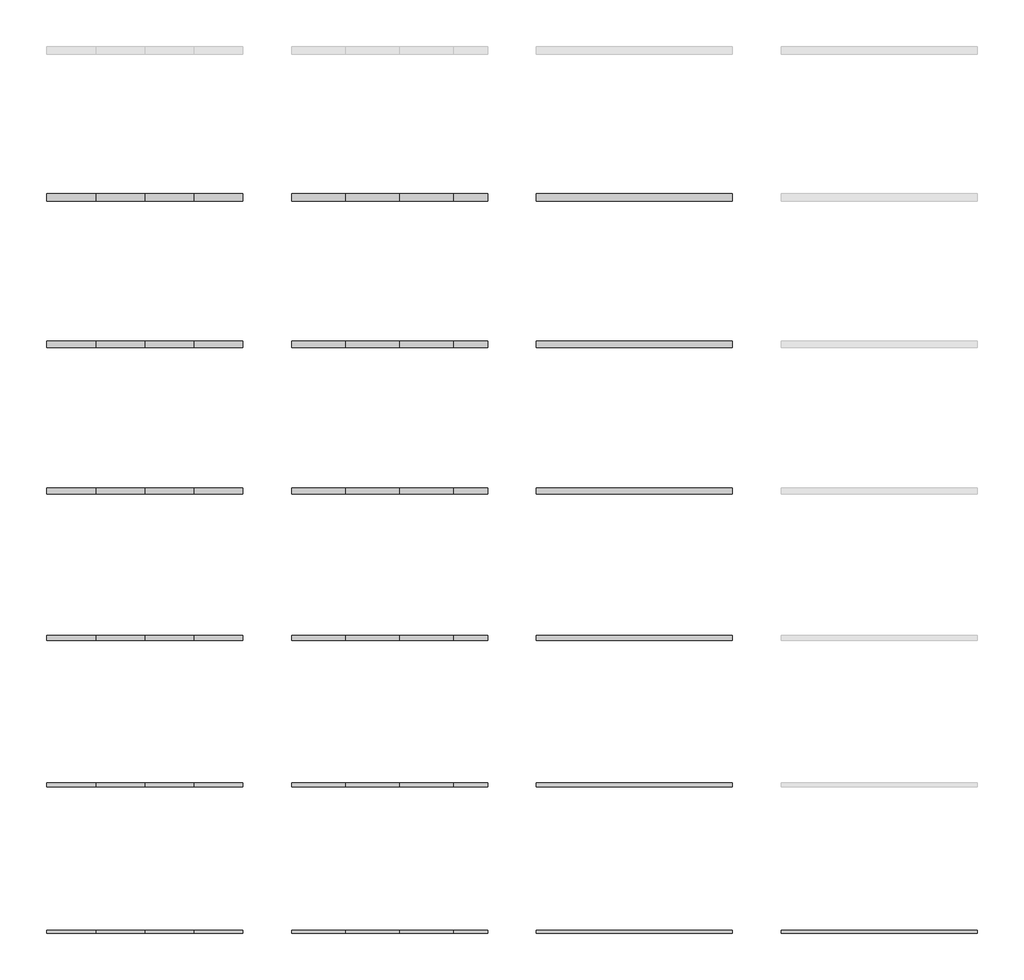
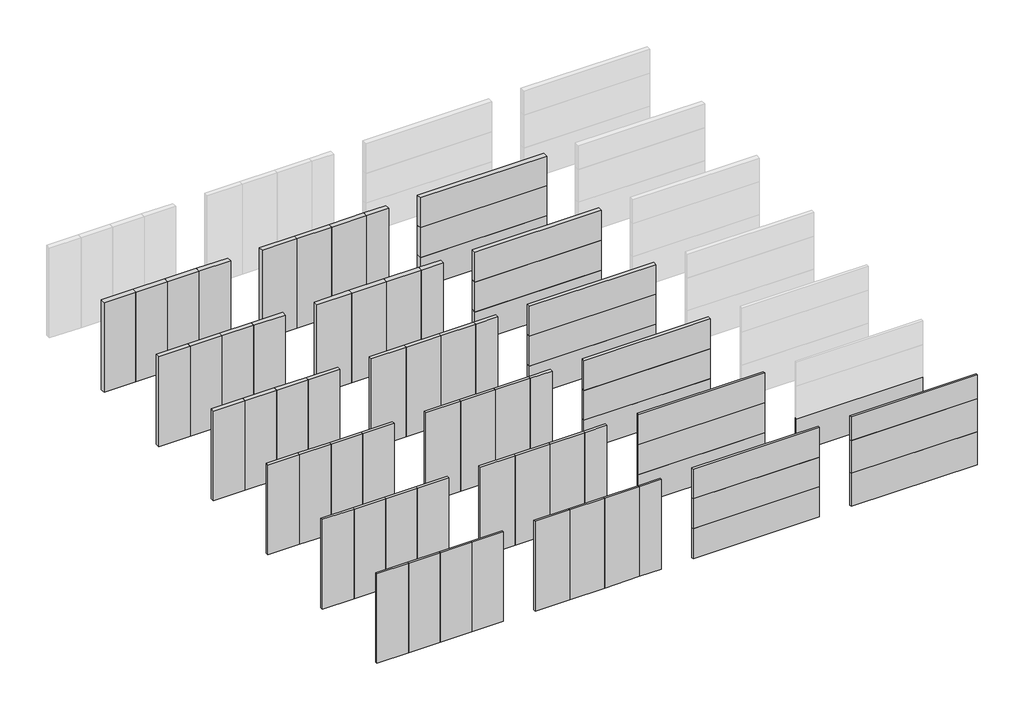
# Not in any storey, part 1 of 2: 70 plates.
"""IFC4 building model written with IfcOpenShell, lengths in millimetres."""

from ifc_helpers import new_model, si_unit, frame, origin, origin_with_axes, place, context, project, spatial, polyline, outline, extrude, element, save

model = new_model("IFC4")

# Units and contexts
model_context = context("Model", 3, world=origin())
ifc_project = project(units=[si_unit("LENGTHUNIT", "METRE", prefix="MILLI")], contexts=[model_context])

# Site, building
site = spatial("IfcSite", under=ifc_project)
building = spatial("IfcBuilding", under=site)

# Plates
placement = place(None, origin())
element("IfcPlate", 1, at=placement, inside=building, context=model_context, shape_type="SweptSolid", body=[
    extrude(outline(polyline([(1000.0000003, 6000.0), (0.0, 6000.0), (0.0, 6100.0), (1000.0000003, 6100.0), (1000.0000003, 6000.0)])), origin_with_axes(), (0.0, 0.0, 1.0), 3000.0),
])
element("IfcPlate", 2, at=placement, inside=building, context=model_context, shape_type="SweptSolid", body=[
    extrude(outline(polyline([(2000.0000003, 6000.0), (1000.0000003, 6000.0), (1000.0000003, 6100.0), (2000.0000003, 6100.0), (2000.0000003, 6000.0)])), origin_with_axes(), (0.0, 0.0, 1.0), 3000.0),
])
element("IfcPlate", 3, at=placement, inside=building, context=model_context, shape_type="SweptSolid", body=[
    extrude(outline(polyline([(3000.0000003, 6000.0), (2000.0000003, 6000.0), (2000.0000003, 6100.0), (3000.0000003, 6100.0), (3000.0000003, 6000.0)])), origin_with_axes(), (0.0, 0.0, 1.0), 3000.0),
])
element("IfcPlate", 4, at=placement, inside=building, context=model_context, shape_type="SweptSolid", body=[
    extrude(outline(polyline([(4000.0, 6000.0), (3000.0000003, 6000.0), (3000.0000003, 6100.0), (4000.0, 6100.0), (4000.0, 6000.0)])), origin_with_axes(), (0.0, 0.0, 1.0), 3000.0),
])
element("IfcPlate", 5, at=placement, inside=building, context=model_context, shape_type="SweptSolid", body=[
    extrude(outline(polyline([(14000.0, 6000.0), (10000.0, 6000.0), (10000.0, 6100.0), (14000.0, 6100.0), (14000.0, 6000.0)])), origin_with_axes(), (0.0, 0.0, 1.0), 1000.0),
])
element("IfcPlate", 6, at=placement, inside=building, context=model_context, shape_type="SweptSolid", body=[
    extrude(outline(polyline([(14000.0, 6000.0), (10000.0, 6000.0), (10000.0, 6100.0), (14000.0, 6100.0), (14000.0, 6000.0)])), frame((0.0, 0.0, 1000.0), z_axis=(0.0, 0.0, 1.0), x_axis=(1.0, 0.0, 0.0)), (0.0, 0.0, 1.0), 1000.0),
])
element("IfcPlate", 7, at=placement, inside=building, context=model_context, shape_type="SweptSolid", body=[
    extrude(outline(polyline([(14000.0, 6000.0), (10000.0, 6000.0), (10000.0, 6100.0), (14000.0, 6100.0), (14000.0, 6000.0)])), frame((0.0, 0.0, 2000.0), z_axis=(0.0, 0.0, 1.0), x_axis=(1.0, 0.0, 0.0)), (0.0, 0.0, 1.0), 1000.0),
])
element("IfcPlate", 8, at=placement, inside=building, context=model_context, shape_type="SweptSolid", body=[
    extrude(outline(polyline([(6100.0000003, 6000.0), (5000.0, 6000.0), (5000.0, 6100.0), (6100.0000003, 6100.0), (6100.0000003, 6000.0)])), origin_with_axes(), (0.0, 0.0, 1.0), 3000.0),
])
element("IfcPlate", 9, at=placement, inside=building, context=model_context, shape_type="SweptSolid", body=[
    extrude(outline(polyline([(7200.0000003, 6000.0), (6100.0000003, 6000.0), (6100.0000003, 6100.0), (7200.0000003, 6100.0), (7200.0000003, 6000.0)])), origin_with_axes(), (0.0, 0.0, 1.0), 3000.0),
])
element("IfcPlate", 10, at=placement, inside=building, context=model_context, shape_type="SweptSolid", body=[
    extrude(outline(polyline([(8300.0000003, 6000.0), (7200.0000003, 6000.0), (7200.0000003, 6100.0), (8300.0000003, 6100.0), (8300.0000003, 6000.0)])), origin_with_axes(), (0.0, 0.0, 1.0), 3000.0),
])
element("IfcPlate", 11, at=placement, inside=building, context=model_context, shape_type="SweptSolid", body=[
    extrude(outline(polyline([(9000.0, 6000.0), (8300.0000003, 6000.0), (8300.0000003, 6100.0), (9000.0, 6100.0), (9000.0, 6000.0)])), origin_with_axes(), (0.0, 0.0, 1.0), 3000.0),
])
element("IfcPlate", 12, at=placement, inside=building, context=model_context, shape_type="SweptSolid", body=[
    extrude(outline(polyline([(1000.0000003, 3010.0), (0.0, 3010.0), (0.0, 3090.0), (1000.0000003, 3090.0), (1000.0000003, 3010.0)])), origin_with_axes(), (0.0, 0.0, 1.0), 3000.0),
])
element("IfcPlate", 13, at=placement, inside=building, context=model_context, shape_type="SweptSolid", body=[
    extrude(outline(polyline([(2000.0000003, 3010.0), (1000.0000003, 3010.0), (1000.0000003, 3090.0), (2000.0000003, 3090.0), (2000.0000003, 3010.0)])), origin_with_axes(), (0.0, 0.0, 1.0), 3000.0),
])
element("IfcPlate", 14, at=placement, inside=building, context=model_context, shape_type="SweptSolid", body=[
    extrude(outline(polyline([(3000.0000003, 3010.0), (2000.0000003, 3010.0), (2000.0000003, 3090.0), (3000.0000003, 3090.0), (3000.0000003, 3010.0)])), origin_with_axes(), (0.0, 0.0, 1.0), 3000.0),
])
element("IfcPlate", 15, at=placement, inside=building, context=model_context, shape_type="SweptSolid", body=[
    extrude(outline(polyline([(4000.0, 3010.0), (3000.0000003, 3010.0), (3000.0000003, 3090.0), (4000.0, 3090.0), (4000.0, 3010.0)])), origin_with_axes(), (0.0, 0.0, 1.0), 3000.0),
])
element("IfcPlate", 16, at=placement, inside=building, context=model_context, shape_type="SweptSolid", body=[
    extrude(outline(polyline([(6100.0000003, 3010.0), (5000.0, 3010.0), (5000.0, 3090.0), (6100.0000003, 3090.0), (6100.0000003, 3010.0)])), origin_with_axes(), (0.0, 0.0, 1.0), 3000.0),
])
element("IfcPlate", 17, at=placement, inside=building, context=model_context, shape_type="SweptSolid", body=[
    extrude(outline(polyline([(7200.0000003, 3010.0), (6100.0000003, 3010.0), (6100.0000003, 3090.0), (7200.0000003, 3090.0), (7200.0000003, 3010.0)])), origin_with_axes(), (0.0, 0.0, 1.0), 3000.0),
])
element("IfcPlate", 18, at=placement, inside=building, context=model_context, shape_type="SweptSolid", body=[
    extrude(outline(polyline([(8300.0000003, 3010.0), (7200.0000003, 3010.0), (7200.0000003, 3090.0), (8300.0000003, 3090.0), (8300.0000003, 3010.0)])), origin_with_axes(), (0.0, 0.0, 1.0), 3000.0),
])
element("IfcPlate", 19, at=placement, inside=building, context=model_context, shape_type="SweptSolid", body=[
    extrude(outline(polyline([(9000.0, 3010.0), (8300.0000003, 3010.0), (8300.0000003, 3090.0), (9000.0, 3090.0), (9000.0, 3010.0)])), origin_with_axes(), (0.0, 0.0, 1.0), 3000.0),
])
element("IfcPlate", 20, at=placement, inside=building, context=model_context, shape_type="SweptSolid", body=[
    extrude(outline(polyline([(14000.0, 3010.0), (10000.0, 3010.0), (10000.0, 3090.0), (14000.0, 3090.0), (14000.0, 3010.0)])), origin_with_axes(), (0.0, 0.0, 1.0), 1000.0),
])
element("IfcPlate", 21, at=placement, inside=building, context=model_context, shape_type="SweptSolid", body=[
    extrude(outline(polyline([(14000.0, 3010.0), (10000.0, 3010.0), (10000.0, 3090.0), (14000.0, 3090.0), (14000.0, 3010.0)])), frame((0.0, 0.0, 1000.0), z_axis=(0.0, 0.0, 1.0), x_axis=(1.0, 0.0, 0.0)), (0.0, 0.0, 1.0), 1000.0),
])
element("IfcPlate", 22, at=placement, inside=building, context=model_context, shape_type="SweptSolid", body=[
    extrude(outline(polyline([(14000.0, 3010.0), (10000.0, 3010.0), (10000.0, 3090.0), (14000.0, 3090.0), (14000.0, 3010.0)])), frame((0.0, 0.0, 2000.0), z_axis=(0.0, 0.0, 1.0), x_axis=(1.0, 0.0, 0.0)), (0.0, 0.0, 1.0), 1000.0),
])
element("IfcPlate", 23, at=placement, inside=building, context=model_context, shape_type="SweptSolid", body=[
    extrude(outline(polyline([(19000.0, 3010.0), (15000.0, 3010.0), (15000.0, 3090.0), (19000.0, 3090.0), (19000.0, 3010.0)])), origin_with_axes(), (0.0, 0.0, 1.0), 1100.0),
])
element("IfcPlate", 24, at=placement, inside=building, context=model_context, shape_type="SweptSolid", body=[
    extrude(outline(polyline([(1000.0000003, 20.0), (0.0, 20.0), (0.0, 80.0), (1000.0000003, 80.0), (1000.0000003, 20.0)])), origin_with_axes(), (0.0, 0.0, 1.0), 3000.0),
])
element("IfcPlate", 25, at=placement, inside=building, context=model_context, shape_type="SweptSolid", body=[
    extrude(outline(polyline([(2000.0000003, 20.0), (1000.0000003, 20.0), (1000.0000003, 80.0), (2000.0000003, 80.0), (2000.0000003, 20.0)])), origin_with_axes(), (0.0, 0.0, 1.0), 3000.0),
])
element("IfcPlate", 26, at=placement, inside=building, context=model_context, shape_type="SweptSolid", body=[
    extrude(outline(polyline([(3000.0000003, 20.0), (2000.0000003, 20.0), (2000.0000003, 80.0), (3000.0000003, 80.0), (3000.0000003, 20.0)])), origin_with_axes(), (0.0, 0.0, 1.0), 3000.0),
])
element("IfcPlate", 27, at=placement, inside=building, context=model_context, shape_type="SweptSolid", body=[
    extrude(outline(polyline([(4000.0, 20.0), (3000.0000003, 20.0), (3000.0000003, 80.0), (4000.0, 80.0), (4000.0, 20.0)])), origin_with_axes(), (0.0, 0.0, 1.0), 3000.0),
])
element("IfcPlate", 28, at=placement, inside=building, context=model_context, shape_type="SweptSolid", body=[
    extrude(outline(polyline([(6100.0000003, 20.0), (5000.0, 20.0), (5000.0, 80.0), (6100.0000003, 80.0), (6100.0000003, 20.0)])), origin_with_axes(), (0.0, 0.0, 1.0), 3000.0),
])
element("IfcPlate", 29, at=placement, inside=building, context=model_context, shape_type="SweptSolid", body=[
    extrude(outline(polyline([(7200.0000003, 20.0), (6100.0000003, 20.0), (6100.0000003, 80.0), (7200.0000003, 80.0), (7200.0000003, 20.0)])), origin_with_axes(), (0.0, 0.0, 1.0), 3000.0),
])
element("IfcPlate", 30, at=placement, inside=building, context=model_context, shape_type="SweptSolid", body=[
    extrude(outline(polyline([(8300.0000003, 20.0), (7200.0000003, 20.0), (7200.0000003, 80.0), (8300.0000003, 80.0), (8300.0000003, 20.0)])), origin_with_axes(), (0.0, 0.0, 1.0), 3000.0),
])
element("IfcPlate", 31, at=placement, inside=building, context=model_context, shape_type="SweptSolid", body=[
    extrude(outline(polyline([(9000.0, 20.0), (8300.0000003, 20.0), (8300.0000003, 80.0), (9000.0, 80.0), (9000.0, 20.0)])), origin_with_axes(), (0.0, 0.0, 1.0), 3000.0),
])
element("IfcPlate", 32, at=placement, inside=building, context=model_context, shape_type="SweptSolid", body=[
    extrude(outline(polyline([(14000.0, 20.0), (10000.0, 20.0), (10000.0, 80.0), (14000.0, 80.0), (14000.0, 20.0)])), origin_with_axes(), (0.0, 0.0, 1.0), 1000.0),
])
element("IfcPlate", 33, at=placement, inside=building, context=model_context, shape_type="SweptSolid", body=[
    extrude(outline(polyline([(14000.0, 20.0), (10000.0, 20.0), (10000.0, 80.0), (14000.0, 80.0), (14000.0, 20.0)])), frame((0.0, 0.0, 1000.0), z_axis=(0.0, 0.0, 1.0), x_axis=(1.0, 0.0, 0.0)), (0.0, 0.0, 1.0), 1000.0),
])
element("IfcPlate", 34, at=placement, inside=building, context=model_context, shape_type="SweptSolid", body=[
    extrude(outline(polyline([(14000.0, 20.0), (10000.0, 20.0), (10000.0, 80.0), (14000.0, 80.0), (14000.0, 20.0)])), frame((0.0, 0.0, 2000.0), z_axis=(0.0, 0.0, 1.0), x_axis=(1.0, 0.0, 0.0)), (0.0, 0.0, 1.0), 1000.0),
])
element("IfcPlate", 35, at=placement, inside=building, context=model_context, shape_type="SweptSolid", body=[
    extrude(outline(polyline([(19000.0, 20.0), (15000.0, 20.0), (15000.0, 80.0), (19000.0, 80.0), (19000.0, 20.0)])), origin_with_axes(), (0.0, 0.0, 1.0), 1100.0),
])
element("IfcPlate", 36, at=placement, inside=building, context=model_context, shape_type="SweptSolid", body=[
    extrude(outline(polyline([(19000.0, 20.0), (15000.0, 20.0), (15000.0, 80.0), (19000.0, 80.0), (19000.0, 20.0)])), frame((0.0, 0.0, 1100.0), z_axis=(0.0, 0.0, 1.0), x_axis=(1.0, 0.0, 0.0)), (0.0, 0.0, 1.0), 1100.0),
])
element("IfcPlate", 37, at=placement, inside=building, context=model_context, shape_type="SweptSolid", body=[
    extrude(outline(polyline([(19000.0, 20.0), (15000.0, 20.0), (15000.0, 80.0), (19000.0, 80.0), (19000.0, 20.0)])), frame((0.0, 0.0, 2200.0), z_axis=(0.0, 0.0, 1.0), x_axis=(1.0, 0.0, 0.0)), (0.0, 0.0, 1.0), 800.0),
])
element("IfcPlate", 38, at=placement, inside=building, context=model_context, shape_type="SweptSolid", body=[
    extrude(outline(polyline([(1000.0000003, 8990.0), (0.0, 8990.0), (0.0, 9110.0), (1000.0000003, 9110.0), (1000.0000003, 8990.0)])), origin_with_axes(), (0.0, 0.0, 1.0), 3000.0),
])
element("IfcPlate", 39, at=placement, inside=building, context=model_context, shape_type="SweptSolid", body=[
    extrude(outline(polyline([(2000.0000003, 8990.0), (1000.0000003, 8990.0), (1000.0000003, 9110.0), (2000.0000003, 9110.0), (2000.0000003, 8990.0)])), origin_with_axes(), (0.0, 0.0, 1.0), 3000.0),
])
element("IfcPlate", 40, at=placement, inside=building, context=model_context, shape_type="SweptSolid", body=[
    extrude(outline(polyline([(3000.0000003, 8990.0), (2000.0000003, 8990.0), (2000.0000003, 9110.0), (3000.0000003, 9110.0), (3000.0000003, 8990.0)])), origin_with_axes(), (0.0, 0.0, 1.0), 3000.0),
])
element("IfcPlate", 41, at=placement, inside=building, context=model_context, shape_type="SweptSolid", body=[
    extrude(outline(polyline([(4000.0, 8990.0), (3000.0000003, 8990.0), (3000.0000003, 9110.0), (4000.0, 9110.0), (4000.0, 8990.0)])), origin_with_axes(), (0.0, 0.0, 1.0), 3000.0),
])
element("IfcPlate", 42, at=placement, inside=building, context=model_context, shape_type="SweptSolid", body=[
    extrude(outline(polyline([(6100.0000003, 8990.0), (5000.0, 8990.0), (5000.0, 9110.0), (6100.0000003, 9110.0), (6100.0000003, 8990.0)])), origin_with_axes(), (0.0, 0.0, 1.0), 3000.0),
])
element("IfcPlate", 43, at=placement, inside=building, context=model_context, shape_type="SweptSolid", body=[
    extrude(outline(polyline([(7200.0000003, 8990.0), (6100.0000003, 8990.0), (6100.0000003, 9110.0), (7200.0000003, 9110.0), (7200.0000003, 8990.0)])), origin_with_axes(), (0.0, 0.0, 1.0), 3000.0),
])
element("IfcPlate", 44, at=placement, inside=building, context=model_context, shape_type="SweptSolid", body=[
    extrude(outline(polyline([(8300.0000003, 8990.0), (7200.0000003, 8990.0), (7200.0000003, 9110.0), (8300.0000003, 9110.0), (8300.0000003, 8990.0)])), origin_with_axes(), (0.0, 0.0, 1.0), 3000.0),
])
element("IfcPlate", 45, at=placement, inside=building, context=model_context, shape_type="SweptSolid", body=[
    extrude(outline(polyline([(9000.0, 8990.0), (8300.0000003, 8990.0), (8300.0000003, 9110.0), (9000.0, 9110.0), (9000.0, 8990.0)])), origin_with_axes(), (0.0, 0.0, 1.0), 3000.0),
])
element("IfcPlate", 46, at=placement, inside=building, context=model_context, shape_type="SweptSolid", body=[
    extrude(outline(polyline([(14000.0, 8990.0), (10000.0, 8990.0), (10000.0, 9110.0), (14000.0, 9110.0), (14000.0, 8990.0)])), origin_with_axes(), (0.0, 0.0, 1.0), 1000.0),
])
element("IfcPlate", 47, at=placement, inside=building, context=model_context, shape_type="SweptSolid", body=[
    extrude(outline(polyline([(14000.0, 8990.0), (10000.0, 8990.0), (10000.0, 9110.0), (14000.0, 9110.0), (14000.0, 8990.0)])), frame((0.0, 0.0, 1000.0), z_axis=(0.0, 0.0, 1.0), x_axis=(1.0, 0.0, 0.0)), (0.0, 0.0, 1.0), 1000.0),
])
element("IfcPlate", 48, at=placement, inside=building, context=model_context, shape_type="SweptSolid", body=[
    extrude(outline(polyline([(14000.0, 8990.0), (10000.0, 8990.0), (10000.0, 9110.0), (14000.0, 9110.0), (14000.0, 8990.0)])), frame((0.0, 0.0, 2000.0), z_axis=(0.0, 0.0, 1.0), x_axis=(1.0, 0.0, 0.0)), (0.0, 0.0, 1.0), 1000.0),
])
element("IfcPlate", 49, at=placement, inside=building, context=model_context, shape_type="SweptSolid", body=[
    extrude(outline(polyline([(1000.0000003, 11980.0), (0.0, 11980.0), (0.0, 12120.0), (1000.0000003, 12120.0), (1000.0000003, 11980.0)])), origin_with_axes(), (0.0, 0.0, 1.0), 3000.0),
])
element("IfcPlate", 50, at=placement, inside=building, context=model_context, shape_type="SweptSolid", body=[
    extrude(outline(polyline([(2000.0000003, 11980.0), (1000.0000003, 11980.0), (1000.0000003, 12120.0), (2000.0000003, 12120.0), (2000.0000003, 11980.0)])), origin_with_axes(), (0.0, 0.0, 1.0), 3000.0),
])
element("IfcPlate", 51, at=placement, inside=building, context=model_context, shape_type="SweptSolid", body=[
    extrude(outline(polyline([(3000.0000003, 11980.0), (2000.0000003, 11980.0), (2000.0000003, 12120.0), (3000.0000003, 12120.0), (3000.0000003, 11980.0)])), origin_with_axes(), (0.0, 0.0, 1.0), 3000.0),
])
element("IfcPlate", 52, at=placement, inside=building, context=model_context, shape_type="SweptSolid", body=[
    extrude(outline(polyline([(4000.0, 11980.0), (3000.0000003, 11980.0), (3000.0000003, 12120.0), (4000.0, 12120.0), (4000.0, 11980.0)])), origin_with_axes(), (0.0, 0.0, 1.0), 3000.0),
])
element("IfcPlate", 53, at=placement, inside=building, context=model_context, shape_type="SweptSolid", body=[
    extrude(outline(polyline([(6100.0000003, 11980.0), (5000.0, 11980.0), (5000.0, 12120.0), (6100.0000003, 12120.0), (6100.0000003, 11980.0)])), origin_with_axes(), (0.0, 0.0, 1.0), 3000.0),
])
element("IfcPlate", 54, at=placement, inside=building, context=model_context, shape_type="SweptSolid", body=[
    extrude(outline(polyline([(7200.0000003, 11980.0), (6100.0000003, 11980.0), (6100.0000003, 12120.0), (7200.0000003, 12120.0), (7200.0000003, 11980.0)])), origin_with_axes(), (0.0, 0.0, 1.0), 3000.0),
])
element("IfcPlate", 55, at=placement, inside=building, context=model_context, shape_type="SweptSolid", body=[
    extrude(outline(polyline([(8300.0000003, 11980.0), (7200.0000003, 11980.0), (7200.0000003, 12120.0), (8300.0000003, 12120.0), (8300.0000003, 11980.0)])), origin_with_axes(), (0.0, 0.0, 1.0), 3000.0),
])
element("IfcPlate", 56, at=placement, inside=building, context=model_context, shape_type="SweptSolid", body=[
    extrude(outline(polyline([(9000.0, 11980.0), (8300.0000003, 11980.0), (8300.0000003, 12120.0), (9000.0, 12120.0), (9000.0, 11980.0)])), origin_with_axes(), (0.0, 0.0, 1.0), 3000.0),
])
element("IfcPlate", 57, at=placement, inside=building, context=model_context, shape_type="SweptSolid", body=[
    extrude(outline(polyline([(14000.0, 11980.0), (10000.0, 11980.0), (10000.0, 12120.0), (14000.0, 12120.0), (14000.0, 11980.0)])), origin_with_axes(), (0.0, 0.0, 1.0), 1000.0),
])
element("IfcPlate", 58, at=placement, inside=building, context=model_context, shape_type="SweptSolid", body=[
    extrude(outline(polyline([(14000.0, 11980.0), (10000.0, 11980.0), (10000.0, 12120.0), (14000.0, 12120.0), (14000.0, 11980.0)])), frame((0.0, 0.0, 1000.0), z_axis=(0.0, 0.0, 1.0), x_axis=(1.0, 0.0, 0.0)), (0.0, 0.0, 1.0), 1000.0),
])
element("IfcPlate", 59, at=placement, inside=building, context=model_context, shape_type="SweptSolid", body=[
    extrude(outline(polyline([(14000.0, 11980.0), (10000.0, 11980.0), (10000.0, 12120.0), (14000.0, 12120.0), (14000.0, 11980.0)])), frame((0.0, 0.0, 2000.0), z_axis=(0.0, 0.0, 1.0), x_axis=(1.0, 0.0, 0.0)), (0.0, 0.0, 1.0), 1000.0),
])
element("IfcPlate", 60, at=placement, inside=building, context=model_context, shape_type="SweptSolid", body=[
    extrude(outline(polyline([(1000.0000003, 14975.0), (0.0, 14975.0), (0.0, 15125.0), (1000.0000003, 15125.0), (1000.0000003, 14975.0)])), origin_with_axes(), (0.0, 0.0, 1.0), 3000.0),
])
element("IfcPlate", 61, at=placement, inside=building, context=model_context, shape_type="SweptSolid", body=[
    extrude(outline(polyline([(2000.0000003, 14975.0), (1000.0000003, 14975.0), (1000.0000003, 15125.0), (2000.0000003, 15125.0), (2000.0000003, 14975.0)])), origin_with_axes(), (0.0, 0.0, 1.0), 3000.0),
])
element("IfcPlate", 62, at=placement, inside=building, context=model_context, shape_type="SweptSolid", body=[
    extrude(outline(polyline([(3000.0000003, 14975.0), (2000.0000003, 14975.0), (2000.0000003, 15125.0), (3000.0000003, 15125.0), (3000.0000003, 14975.0)])), origin_with_axes(), (0.0, 0.0, 1.0), 3000.0),
])
element("IfcPlate", 63, at=placement, inside=building, context=model_context, shape_type="SweptSolid", body=[
    extrude(outline(polyline([(4000.0, 14975.0), (3000.0000003, 14975.0), (3000.0000003, 15125.0), (4000.0, 15125.0), (4000.0, 14975.0)])), origin_with_axes(), (0.0, 0.0, 1.0), 3000.0),
])
element("IfcPlate", 64, at=placement, inside=building, context=model_context, shape_type="SweptSolid", body=[
    extrude(outline(polyline([(6100.0000003, 14975.0), (5000.0, 14975.0), (5000.0, 15125.0), (6100.0000003, 15125.0), (6100.0000003, 14975.0)])), origin_with_axes(), (0.0, 0.0, 1.0), 3000.0),
])
element("IfcPlate", 65, at=placement, inside=building, context=model_context, shape_type="SweptSolid", body=[
    extrude(outline(polyline([(7200.0000003, 14975.0), (6100.0000003, 14975.0), (6100.0000003, 15125.0), (7200.0000003, 15125.0), (7200.0000003, 14975.0)])), origin_with_axes(), (0.0, 0.0, 1.0), 3000.0),
])
element("IfcPlate", 66, at=placement, inside=building, context=model_context, shape_type="SweptSolid", body=[
    extrude(outline(polyline([(8300.0000003, 14975.0), (7200.0000003, 14975.0), (7200.0000003, 15125.0), (8300.0000003, 15125.0), (8300.0000003, 14975.0)])), origin_with_axes(), (0.0, 0.0, 1.0), 3000.0),
])
element("IfcPlate", 67, at=placement, inside=building, context=model_context, shape_type="SweptSolid", body=[
    extrude(outline(polyline([(9000.0, 14975.0), (8300.0000003, 14975.0), (8300.0000003, 15125.0), (9000.0, 15125.0), (9000.0, 14975.0)])), origin_with_axes(), (0.0, 0.0, 1.0), 3000.0),
])
element("IfcPlate", 68, at=placement, inside=building, context=model_context, shape_type="SweptSolid", body=[
    extrude(outline(polyline([(14000.0, 14975.0), (10000.0, 14975.0), (10000.0, 15125.0), (14000.0, 15125.0), (14000.0, 14975.0)])), origin_with_axes(), (0.0, 0.0, 1.0), 1000.0),
])
element("IfcPlate", 69, at=placement, inside=building, context=model_context, shape_type="SweptSolid", body=[
    extrude(outline(polyline([(14000.0, 14975.0), (10000.0, 14975.0), (10000.0, 15125.0), (14000.0, 15125.0), (14000.0, 14975.0)])), frame((0.0, 0.0, 1000.0), z_axis=(0.0, 0.0, 1.0), x_axis=(1.0, 0.0, 0.0)), (0.0, 0.0, 1.0), 1000.0),
])
element("IfcPlate", 70, at=placement, inside=building, context=model_context, shape_type="SweptSolid", body=[
    extrude(outline(polyline([(14000.0, 14975.0), (10000.0, 14975.0), (10000.0, 15125.0), (14000.0, 15125.0), (14000.0, 14975.0)])), frame((0.0, 0.0, 2000.0), z_axis=(0.0, 0.0, 1.0), x_axis=(1.0, 0.0, 0.0)), (0.0, 0.0, 1.0), 1000.0),
])

save(model, "model.ifc")
